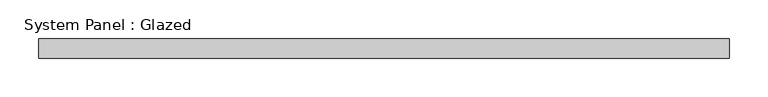
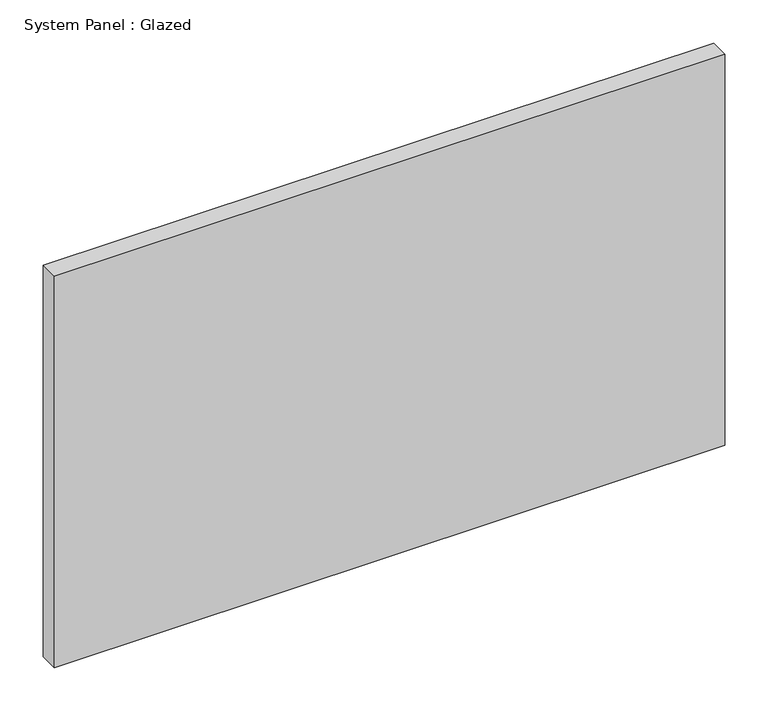
"""IFC4 building model written with IfcOpenShell, lengths in millimetres: plate geometry, System Panel : Glazed."""

from ifc_helpers import new_model, si_unit, origin, origin_with_axes, place, context, project, spatial, polyline, outline, extrude, source, transform, mapped, element, save


def system_panel_glazed_d23b9ec1(model_context):
    return source(origin(), model_context, "Body", "SweptSolid", [
        extrude(outline(polyline([(447.675, 19.05), (-447.675, 19.05), (-447.675, 44.45), (447.675, 44.45), (447.675, 19.05)])), origin_with_axes(), (0.0, 0.0, 1.0), 552.45),
    ])


if __name__ == "__main__":
    model = new_model("IFC4")
    model_context = context("Model", 3, world=origin())
    ifc_project = project(units=[si_unit("LENGTHUNIT", "METRE", prefix="MILLI")], contexts=[model_context])
    site = spatial("IfcSite", under=ifc_project)
    building = spatial("IfcBuilding", under=site)
    placement = place(None, origin())
    system_panel_glazed_shape = system_panel_glazed_d23b9ec1(model_context)
    element("IfcPlate", 1, ObjectType="System Panel : Glazed", at=placement, inside=building, context=model_context, shape_type="MappedRepresentation", body=[
        mapped(system_panel_glazed_shape, transform((0.0, 0.0, 0.0), x_axis=(1.0, 0.0, 0.0), y_axis=(0.0, 1.0, 0.0), z_axis=(0.0, 0.0, 1.0))),
    ])
    save(model, "model.ifc")
